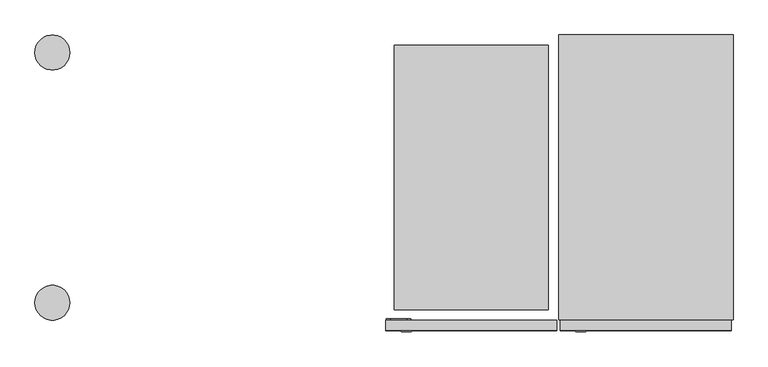
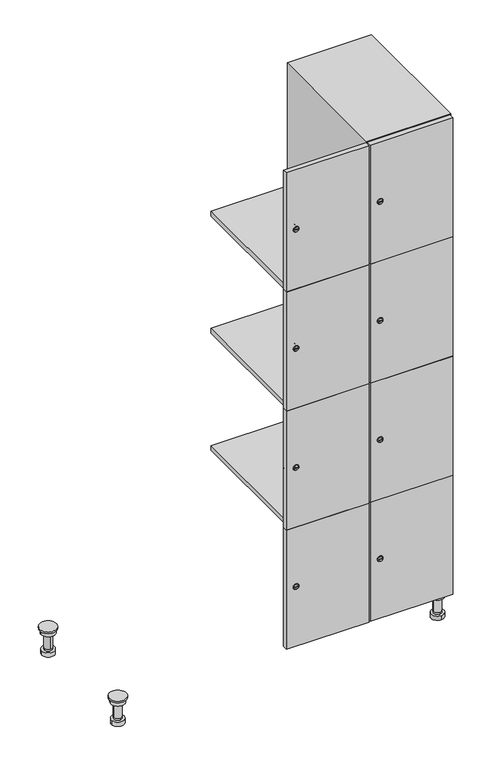
"""IFC4 building model written with IfcOpenShell, lengths in millimetres: furniture geometry."""

from ifc_helpers import new_model, si_unit, point, frame, frame_2d, origin, place, context, project, spatial, polyline, circle_curve, trimmed, segment, composite_curve, outline, extrude, faceted_brep, source, transform, mapped, element, save
from ifc_brep_helpers import plane_surface, cylinder_surface, revolved_surface, advanced_brep


def furniture_5e121824(model_context):
    return source(origin(), model_context, "Body", "SolidModel", [
        advanced_brep(
        [(970.0, -201.0, 22.0), (970.0, -201.5, 16.0), (970.0, -228.5, 16.0), (970.0, -229.0, 22.0), (956.0, -215.0, 22.0), (984.0, -215.0, 22.0), (970.0, -192.5, 16.0), (970.0, -237.5, 16.0), (970.0, -192.5, 0.0), (970.0, -237.5, 0.0), (984.0, -215.0, 78.0), (956.0, -215.0, 78.0), (995.0, -215.0, 78.0), (945.0, -215.0, 78.0), (1000.0, -215.0, 94.0), (940.0, -215.0, 94.0), (945.0, -215.0, 94.0), (995.0, -215.0, 94.0), (1000.0, -215.0, 100.0), (940.0, -215.0, 100.0)],
        [
            (0, 1),
            (1, 2, circle_curve(frame((970.0, -215.0, 16.0), z_axis=(0.0, 0.0, 1.0), x_axis=(0.0, -1.0, 0.0)), 13.5)),
            (2, 3),
            (3, 4, circle_curve(frame((970.0, -215.0, 22.0), z_axis=(0.0, 0.0, -1.0), x_axis=(0.0, -1.0, 0.0)), 14.0)),
            (4, 0, circle_curve(frame((970.0, -215.0, 22.0), z_axis=(0.0, 0.0, -1.0), x_axis=(0.0, -1.0, 0.0)), 14.0)),
            (0, 5, circle_curve(frame((970.0, -215.0, 22.0), z_axis=(0.0, 0.0, -1.0), x_axis=(0.0, 1.0, 0.0)), 14.0)),
            (5, 3, circle_curve(frame((970.0, -215.0, 22.0), z_axis=(0.0, 0.0, -1.0), x_axis=(0.0, 1.0, 0.0)), 14.0)),
            (2, 1, circle_curve(frame((970.0, -215.0, 16.0), z_axis=(0.0, 0.0, 1.0), x_axis=(0.0, 1.0, 0.0)), 13.5)),
            (6, 7, circle_curve(frame((970.0, -215.0, 16.0), z_axis=(0.0, 0.0, 1.0), x_axis=(0.0, -1.0, 0.0)), 22.5)),
            (7, 6, circle_curve(frame((970.0, -215.0, 16.0), z_axis=(0.0, 0.0, 1.0), x_axis=(0.0, -1.0, 0.0)), 22.5)),
            (8, 9, circle_curve(frame((970.0, -215.0, 0.0), z_axis=(0.0, 0.0, -1.0), x_axis=(0.0, -1.0, 0.0)), 22.5)),
            (9, 8, circle_curve(frame((970.0, -215.0, 0.0), z_axis=(0.0, 0.0, -1.0), x_axis=(0.0, -1.0, 0.0)), 22.5)),
            (6, 8),
            (9, 7),
            (5, 10),
            (10, 11, circle_curve(frame((970.0, -215.0, 78.0), z_axis=(0.0, 0.0, -1.0), x_axis=(-1.0, 0.0, 0.0)), 14.0)),
            (11, 4),
            (11, 10, circle_curve(frame((970.0, -215.0, 78.0), z_axis=(0.0, 0.0, -1.0), x_axis=(-1.0, 0.0, 0.0)), 14.0)),
            (12, 13, circle_curve(frame((970.0, -215.0, 78.0), z_axis=(0.0, 0.0, -1.0), x_axis=(-1.0, 0.0, 0.0)), 25.0)),
            (13, 12, circle_curve(frame((970.0, -215.0, 78.0), z_axis=(0.0, 0.0, -1.0), x_axis=(-1.0, 0.0, 0.0)), 25.0)),
            (14, 15, circle_curve(frame((970.0, -215.0, 94.0), z_axis=(0.0, 0.0, -1.0), x_axis=(-1.0, 0.0, 0.0)), 30.0)),
            (15, 14, circle_curve(frame((970.0, -215.0, 94.0), z_axis=(0.0, 0.0, -1.0), x_axis=(-1.0, 0.0, 0.0)), 30.0)),
            (16, 17, circle_curve(frame((970.0, -215.0, 94.0), z_axis=(0.0, 0.0, 1.0), x_axis=(-1.0, 0.0, 0.0)), 25.0)),
            (17, 16, circle_curve(frame((970.0, -215.0, 94.0), z_axis=(0.0, 0.0, 1.0), x_axis=(-1.0, 0.0, 0.0)), 25.0)),
            (18, 19, circle_curve(frame((970.0, -215.0, 100.0), z_axis=(0.0, 0.0, 1.0), x_axis=(-1.0, 0.0, 0.0)), 30.0)),
            (19, 18, circle_curve(frame((970.0, -215.0, 100.0), z_axis=(0.0, 0.0, 1.0), x_axis=(-1.0, 0.0, 0.0)), 30.0)),
            (14, 18),
            (19, 15),
            (12, 17),
            (16, 13),
        ],
        [
            revolved_surface(polyline([(970.0, -201.5, 16.0), (970.0, -201.0, 22.0)]), (970.0, -215.0, -146.0), (0.0, 0.0, 1.0)),
            plane_surface(frame((970.0, 0.0, 16.0), z_axis=(0.0, 0.0, 1.0), x_axis=(0.0, -1.0, 0.0))),
            plane_surface(frame((970.0, 0.0, 0.0), z_axis=(0.0, 0.0, -1.0), x_axis=(0.0, -1.0, 0.0))),
            cylinder_surface(frame((970.0, -215.0, 16.0), z_axis=(0.0, 0.0, 1.0), x_axis=(0.0, -1.0, 0.0)), 22.5),
            cylinder_surface(frame((970.0, -215.0, 22.0), z_axis=(0.0, 0.0, -1.0), x_axis=(-1.0, 0.0, 0.0)), 14.0),
            plane_surface(frame((970.0, 0.0, 78.0), z_axis=(0.0, 0.0, -1.0), x_axis=(0.0, -1.0, 0.0))),
            plane_surface(frame((970.0, 0.0, 94.0), z_axis=(0.0, 0.0, -1.0), x_axis=(0.0, -1.0, 0.0))),
            plane_surface(frame((970.0, 0.0, 100.0), z_axis=(0.0, 0.0, 1.0), x_axis=(0.0, -1.0, 0.0))),
            cylinder_surface(frame((970.0, -215.0, 94.0), z_axis=(0.0, 0.0, -1.0), x_axis=(-1.0, 0.0, 0.0)), 30.0),
            cylinder_surface(frame((970.0, -215.0, 78.0), z_axis=(0.0, 0.0, -1.0), x_axis=(-1.0, 0.0, 0.0)), 25.0),
        ],
        [
            (0, [[1, 2, 3, 4, 5]]),
            (0, [[-1, 6, 7, -3, 8]]),
            (1, [[9, 10], [-2, -8]]),
            (2, [[11, 12]]),
            (3, [[-9, 13, -12, 14]]),
            (3, [[-10, -14, -11, -13]]),
            (4, [[15, 16, 17, -4, -7]]),
            (4, [[-15, -6, -5, -17, 18]]),
            (5, [[19, 20], [-16, -18]]),
            (6, [[21, 22], [23, 24]]),
            (7, [[25, 26]]),
            (8, [[-21, 27, -26, 28]]),
            (8, [[-22, -28, -25, -27]]),
            (9, [[-19, 29, -23, 30]]),
            (9, [[-20, -30, -24, -29]]),
        ],
    ),
        advanced_brep(
        [(-170.0, -201.0, 22.0), (-170.0, -201.5, 16.0), (-170.0, -228.5, 16.0), (-170.0, -229.0, 22.0), (-184.0, -215.0, 22.0), (-156.0, -215.0, 22.0), (-147.5, -215.0, 0.0), (-192.5, -215.0, 0.0), (-147.5, -215.0, 16.0), (-192.5, -215.0, 16.0), (-156.0, -215.0, 78.0), (-184.0, -215.0, 78.0), (-145.0, -215.0, 78.0), (-195.0, -215.0, 78.0), (-140.0, -215.0, 94.0), (-200.0, -215.0, 94.0), (-195.0, -215.0, 94.0), (-145.0, -215.0, 94.0), (-140.0, -215.0, 100.0), (-200.0, -215.0, 100.0)],
        [
            (0, 1),
            (1, 2, circle_curve(frame((-170.0, -215.0, 16.0), z_axis=(0.0, 0.0, 1.0), x_axis=(0.0, -1.0, 0.0)), 13.5)),
            (2, 3),
            (3, 4, circle_curve(frame((-170.0, -215.0, 22.0), z_axis=(0.0, 0.0, -1.0), x_axis=(0.0, -1.0, 0.0)), 14.0)),
            (4, 0, circle_curve(frame((-170.0, -215.0, 22.0), z_axis=(0.0, 0.0, -1.0), x_axis=(0.0, -1.0, 0.0)), 14.0)),
            (0, 5, circle_curve(frame((-170.0, -215.0, 22.0), z_axis=(0.0, 0.0, -1.0), x_axis=(0.0, 1.0, 0.0)), 14.0)),
            (5, 3, circle_curve(frame((-170.0, -215.0, 22.0), z_axis=(0.0, 0.0, -1.0), x_axis=(0.0, 1.0, 0.0)), 14.0)),
            (2, 1, circle_curve(frame((-170.0, -215.0, 16.0), z_axis=(0.0, 0.0, 1.0), x_axis=(0.0, 1.0, 0.0)), 13.5)),
            (6, 7, circle_curve(frame((-170.0, -215.0, 0.0), z_axis=(0.0, 0.0, -1.0), x_axis=(-1.0, 0.0, 0.0)), 22.5)),
            (7, 6, circle_curve(frame((-170.0, -215.0, 0.0), z_axis=(0.0, 0.0, -1.0), x_axis=(-1.0, 0.0, 0.0)), 22.5)),
            (8, 9, circle_curve(frame((-170.0, -215.0, 16.0), z_axis=(0.0, 0.0, 1.0), x_axis=(-1.0, 0.0, 0.0)), 22.5)),
            (9, 8, circle_curve(frame((-170.0, -215.0, 16.0), z_axis=(0.0, 0.0, 1.0), x_axis=(-1.0, 0.0, 0.0)), 22.5)),
            (6, 8),
            (9, 7),
            (5, 10),
            (10, 11, circle_curve(frame((-170.0, -215.0, 78.0), z_axis=(0.0, 0.0, -1.0), x_axis=(-1.0, 0.0, 0.0)), 14.0)),
            (11, 4),
            (11, 10, circle_curve(frame((-170.0, -215.0, 78.0), z_axis=(0.0, 0.0, -1.0), x_axis=(-1.0, 0.0, 0.0)), 14.0)),
            (12, 13, circle_curve(frame((-170.0, -215.0, 78.0), z_axis=(0.0, 0.0, -1.0), x_axis=(-1.0, 0.0, 0.0)), 25.0)),
            (13, 12, circle_curve(frame((-170.0, -215.0, 78.0), z_axis=(0.0, 0.0, -1.0), x_axis=(-1.0, 0.0, 0.0)), 25.0)),
            (14, 15, circle_curve(frame((-170.0, -215.0, 94.0), z_axis=(0.0, 0.0, -1.0), x_axis=(-1.0, 0.0, 0.0)), 30.0)),
            (15, 14, circle_curve(frame((-170.0, -215.0, 94.0), z_axis=(0.0, 0.0, -1.0), x_axis=(-1.0, 0.0, 0.0)), 30.0)),
            (16, 17, circle_curve(frame((-170.0, -215.0, 94.0), z_axis=(0.0, 0.0, 1.0), x_axis=(-1.0, 0.0, 0.0)), 25.0)),
            (17, 16, circle_curve(frame((-170.0, -215.0, 94.0), z_axis=(0.0, 0.0, 1.0), x_axis=(-1.0, 0.0, 0.0)), 25.0)),
            (18, 19, circle_curve(frame((-170.0, -215.0, 100.0), z_axis=(0.0, 0.0, 1.0), x_axis=(-1.0, 0.0, 0.0)), 30.0)),
            (19, 18, circle_curve(frame((-170.0, -215.0, 100.0), z_axis=(0.0, 0.0, 1.0), x_axis=(-1.0, 0.0, 0.0)), 30.0)),
            (14, 18),
            (19, 15),
            (12, 17),
            (16, 13),
        ],
        [
            revolved_surface(polyline([(-170.0, -201.5, 16.0), (-170.0, -201.0, 22.0)]), (-170.0, -215.0, -146.0), (0.0, 0.0, 1.0)),
            plane_surface(frame((-170.0, 0.0, 0.0), z_axis=(0.0, 0.0, -1.0), x_axis=(0.0, -1.0, 0.0))),
            plane_surface(frame((-170.0, 0.0, 16.0), z_axis=(0.0, 0.0, 1.0), x_axis=(0.0, -1.0, 0.0))),
            cylinder_surface(frame((-170.0, -215.0, 0.0), z_axis=(0.0, 0.0, -1.0), x_axis=(-1.0, 0.0, 0.0)), 22.5),
            cylinder_surface(frame((-170.0, -215.0, 22.0), z_axis=(0.0, 0.0, -1.0), x_axis=(-1.0, 0.0, 0.0)), 14.0),
            plane_surface(frame((-170.0, 0.0, 78.0), z_axis=(0.0, 0.0, -1.0), x_axis=(0.0, -1.0, 0.0))),
            plane_surface(frame((-170.0, 0.0, 94.0), z_axis=(0.0, 0.0, -1.0), x_axis=(0.0, -1.0, 0.0))),
            plane_surface(frame((-170.0, 0.0, 100.0), z_axis=(0.0, 0.0, 1.0), x_axis=(0.0, -1.0, 0.0))),
            cylinder_surface(frame((-170.0, -215.0, 94.0), z_axis=(0.0, 0.0, -1.0), x_axis=(-1.0, 0.0, 0.0)), 30.0),
            cylinder_surface(frame((-170.0, -215.0, 78.0), z_axis=(0.0, 0.0, -1.0), x_axis=(-1.0, 0.0, 0.0)), 25.0),
        ],
        [
            (0, [[1, 2, 3, 4, 5]]),
            (0, [[-1, 6, 7, -3, 8]]),
            (1, [[9, 10]]),
            (2, [[11, 12], [-2, -8]]),
            (3, [[-9, 13, -12, 14]]),
            (3, [[-10, -14, -11, -13]]),
            (4, [[15, 16, 17, -4, -7]]),
            (4, [[-15, -6, -5, -17, 18]]),
            (5, [[19, 20], [-16, -18]]),
            (6, [[21, 22], [23, 24]]),
            (7, [[25, 26]]),
            (8, [[-21, 27, -26, 28]]),
            (8, [[-22, -28, -25, -27]]),
            (9, [[-19, 29, -23, 30]]),
            (9, [[-20, -30, -24, -29]]),
        ],
    ),
        advanced_brep(
        [(983.5, 215.0, 16.0), (984.0, 215.0, 22.0), (956.0, 215.0, 22.0), (956.5, 215.0, 16.0), (992.5, 215.0, 0.0), (947.5, 215.0, 0.0), (992.5, 215.0, 16.0), (947.5, 215.0, 16.0), (984.0, 215.0, 78.0), (956.0, 215.0, 78.0), (995.0, 215.0, 78.0), (945.0, 215.0, 78.0), (1000.0, 215.0, 94.0), (940.0, 215.0, 94.0), (945.0, 215.0, 94.0), (995.0, 215.0, 94.0), (1000.0, 215.0, 100.0), (940.0, 215.0, 100.0)],
        [
            (0, 1),
            (1, 2, circle_curve(frame((970.0, 215.0, 22.0), z_axis=(0.0, 0.0, -1.0), x_axis=(-1.0, 0.0, 0.0)), 14.0)),
            (2, 3),
            (3, 0, circle_curve(frame((970.0, 215.0, 16.0), z_axis=(0.0, 0.0, 1.0), x_axis=(-1.0, 0.0, 0.0)), 13.5)),
            (0, 3, circle_curve(frame((970.0, 215.0, 16.0), z_axis=(0.0, 0.0, 1.0), x_axis=(1.0, 0.0, 0.0)), 13.5)),
            (2, 1, circle_curve(frame((970.0, 215.0, 22.0), z_axis=(0.0, 0.0, -1.0), x_axis=(1.0, 0.0, 0.0)), 14.0)),
            (4, 5, circle_curve(frame((970.0, 215.0, 0.0), z_axis=(0.0, 0.0, -1.0), x_axis=(-1.0, 0.0, 0.0)), 22.5)),
            (5, 4, circle_curve(frame((970.0, 215.0, 0.0), z_axis=(0.0, 0.0, -1.0), x_axis=(-1.0, 0.0, 0.0)), 22.5)),
            (6, 7, circle_curve(frame((970.0, 215.0, 16.0), z_axis=(0.0, 0.0, 1.0), x_axis=(-1.0, 0.0, 0.0)), 22.5)),
            (7, 6, circle_curve(frame((970.0, 215.0, 16.0), z_axis=(0.0, 0.0, 1.0), x_axis=(-1.0, 0.0, 0.0)), 22.5)),
            (4, 6),
            (7, 5),
            (1, 8),
            (8, 9, circle_curve(frame((970.0, 215.0, 78.0), z_axis=(0.0, 0.0, -1.0), x_axis=(-1.0, 0.0, 0.0)), 14.0)),
            (9, 2),
            (9, 8, circle_curve(frame((970.0, 215.0, 78.0), z_axis=(0.0, 0.0, -1.0), x_axis=(-1.0, 0.0, 0.0)), 14.0)),
            (10, 11, circle_curve(frame((970.0, 215.0, 78.0), z_axis=(0.0, 0.0, -1.0), x_axis=(-1.0, 0.0, 0.0)), 25.0)),
            (11, 10, circle_curve(frame((970.0, 215.0, 78.0), z_axis=(0.0, 0.0, -1.0), x_axis=(-1.0, 0.0, 0.0)), 25.0)),
            (12, 13, circle_curve(frame((970.0, 215.0, 94.0), z_axis=(0.0, 0.0, -1.0), x_axis=(-1.0, 0.0, 0.0)), 30.0)),
            (13, 12, circle_curve(frame((970.0, 215.0, 94.0), z_axis=(0.0, 0.0, -1.0), x_axis=(-1.0, 0.0, 0.0)), 30.0)),
            (14, 15, circle_curve(frame((970.0, 215.0, 94.0), z_axis=(0.0, 0.0, 1.0), x_axis=(-1.0, 0.0, 0.0)), 25.0)),
            (15, 14, circle_curve(frame((970.0, 215.0, 94.0), z_axis=(0.0, 0.0, 1.0), x_axis=(-1.0, 0.0, 0.0)), 25.0)),
            (16, 17, circle_curve(frame((970.0, 215.0, 100.0), z_axis=(0.0, 0.0, 1.0), x_axis=(-1.0, 0.0, 0.0)), 30.0)),
            (17, 16, circle_curve(frame((970.0, 215.0, 100.0), z_axis=(0.0, 0.0, 1.0), x_axis=(-1.0, 0.0, 0.0)), 30.0)),
            (12, 16),
            (17, 13),
            (10, 15),
            (14, 11),
        ],
        [
            revolved_surface(polyline([(983.5, 215.0, 16.0), (984.0, 215.0, 22.0)]), (970.0, 215.0, -146.0), (0.0, 0.0, 1.0)),
            plane_surface(frame((970.0, 0.0, 0.0), z_axis=(0.0, 0.0, -1.0), x_axis=(0.0, -1.0, 0.0))),
            plane_surface(frame((970.0, 0.0, 16.0), z_axis=(0.0, 0.0, 1.0), x_axis=(0.0, -1.0, 0.0))),
            cylinder_surface(frame((970.0, 215.0, 0.0), z_axis=(0.0, 0.0, -1.0), x_axis=(-1.0, 0.0, 0.0)), 22.5),
            cylinder_surface(frame((970.0, 215.0, 22.0), z_axis=(0.0, 0.0, -1.0), x_axis=(-1.0, 0.0, 0.0)), 14.0),
            plane_surface(frame((970.0, 0.0, 78.0), z_axis=(0.0, 0.0, -1.0), x_axis=(0.0, -1.0, 0.0))),
            plane_surface(frame((970.0, 0.0, 94.0), z_axis=(0.0, 0.0, -1.0), x_axis=(0.0, -1.0, 0.0))),
            plane_surface(frame((970.0, 0.0, 100.0), z_axis=(0.0, 0.0, 1.0), x_axis=(0.0, -1.0, 0.0))),
            cylinder_surface(frame((970.0, 215.0, 94.0), z_axis=(0.0, 0.0, -1.0), x_axis=(-1.0, 0.0, 0.0)), 30.0),
            cylinder_surface(frame((970.0, 215.0, 78.0), z_axis=(0.0, 0.0, -1.0), x_axis=(-1.0, 0.0, 0.0)), 25.0),
        ],
        [
            (0, [[1, 2, 3, 4]]),
            (0, [[-1, 5, -3, 6]]),
            (1, [[7, 8]]),
            (2, [[9, 10], [-4, -5]]),
            (3, [[-7, 11, -10, 12]]),
            (3, [[-8, -12, -9, -11]]),
            (4, [[13, 14, 15, -2]]),
            (4, [[-13, -6, -15, 16]]),
            (5, [[17, 18], [-14, -16]]),
            (6, [[19, 20], [21, 22]]),
            (7, [[23, 24]]),
            (8, [[-19, 25, -24, 26]]),
            (8, [[-20, -26, -23, -25]]),
            (9, [[-17, 27, -21, 28]]),
            (9, [[-18, -28, -22, -27]]),
        ],
    ),
        advanced_brep(
        [(-156.5, 215.0, 16.0), (-156.0, 215.0, 22.0), (-170.0, 201.0, 22.0), (-184.0, 215.0, 22.0), (-183.5, 215.0, 16.0), (-170.0, 229.0, 22.0), (-147.5, 215.0, 0.0), (-192.5, 215.0, 0.0), (-147.5, 215.0, 16.0), (-192.5, 215.0, 16.0), (-170.0, 229.0, 78.0), (-170.0, 201.0, 78.0), (-145.0, 215.0, 78.0), (-195.0, 215.0, 78.0), (-140.0, 215.0, 94.0), (-200.0, 215.0, 94.0), (-195.0, 215.0, 94.0), (-145.0, 215.0, 94.0), (-140.0, 215.0, 100.0), (-200.0, 215.0, 100.0)],
        [
            (0, 1),
            (1, 2, circle_curve(frame((-170.0, 215.0, 22.0), z_axis=(0.0, 0.0, -1.0), x_axis=(-1.0, 0.0, 0.0)), 14.0)),
            (2, 3, circle_curve(frame((-170.0, 215.0, 22.0), z_axis=(0.0, 0.0, -1.0), x_axis=(-1.0, 0.0, 0.0)), 14.0)),
            (3, 4),
            (4, 0, circle_curve(frame((-170.0, 215.0, 16.0), z_axis=(0.0, 0.0, 1.0), x_axis=(-1.0, 0.0, 0.0)), 13.5)),
            (0, 4, circle_curve(frame((-170.0, 215.0, 16.0), z_axis=(0.0, 0.0, 1.0), x_axis=(1.0, 0.0, 0.0)), 13.5)),
            (3, 5, circle_curve(frame((-170.0, 215.0, 22.0), z_axis=(0.0, 0.0, -1.0), x_axis=(1.0, 0.0, 0.0)), 14.0)),
            (5, 1, circle_curve(frame((-170.0, 215.0, 22.0), z_axis=(0.0, 0.0, -1.0), x_axis=(1.0, 0.0, 0.0)), 14.0)),
            (6, 7, circle_curve(frame((-170.0, 215.0, 0.0), z_axis=(0.0, 0.0, -1.0), x_axis=(-1.0, 0.0, 0.0)), 22.5)),
            (7, 6, circle_curve(frame((-170.0, 215.0, 0.0), z_axis=(0.0, 0.0, -1.0), x_axis=(-1.0, 0.0, 0.0)), 22.5)),
            (8, 9, circle_curve(frame((-170.0, 215.0, 16.0), z_axis=(0.0, 0.0, 1.0), x_axis=(-1.0, 0.0, 0.0)), 22.5)),
            (9, 8, circle_curve(frame((-170.0, 215.0, 16.0), z_axis=(0.0, 0.0, 1.0), x_axis=(-1.0, 0.0, 0.0)), 22.5)),
            (6, 8),
            (9, 7),
            (10, 5),
            (2, 11),
            (11, 10, circle_curve(frame((-170.0, 215.0, 78.0), z_axis=(0.0, 0.0, -1.0), x_axis=(0.0, -1.0, 0.0)), 14.0)),
            (10, 11, circle_curve(frame((-170.0, 215.0, 78.0), z_axis=(0.0, 0.0, -1.0), x_axis=(0.0, -1.0, 0.0)), 14.0)),
            (12, 13, circle_curve(frame((-170.0, 215.0, 78.0), z_axis=(0.0, 0.0, -1.0), x_axis=(-1.0, 0.0, 0.0)), 25.0)),
            (13, 12, circle_curve(frame((-170.0, 215.0, 78.0), z_axis=(0.0, 0.0, -1.0), x_axis=(-1.0, 0.0, 0.0)), 25.0)),
            (14, 15, circle_curve(frame((-170.0, 215.0, 94.0), z_axis=(0.0, 0.0, -1.0), x_axis=(-1.0, 0.0, 0.0)), 30.0)),
            (15, 14, circle_curve(frame((-170.0, 215.0, 94.0), z_axis=(0.0, 0.0, -1.0), x_axis=(-1.0, 0.0, 0.0)), 30.0)),
            (16, 17, circle_curve(frame((-170.0, 215.0, 94.0), z_axis=(0.0, 0.0, 1.0), x_axis=(-1.0, 0.0, 0.0)), 25.0)),
            (17, 16, circle_curve(frame((-170.0, 215.0, 94.0), z_axis=(0.0, 0.0, 1.0), x_axis=(-1.0, 0.0, 0.0)), 25.0)),
            (18, 19, circle_curve(frame((-170.0, 215.0, 100.0), z_axis=(0.0, 0.0, 1.0), x_axis=(-1.0, 0.0, 0.0)), 30.0)),
            (19, 18, circle_curve(frame((-170.0, 215.0, 100.0), z_axis=(0.0, 0.0, 1.0), x_axis=(-1.0, 0.0, 0.0)), 30.0)),
            (14, 18),
            (19, 15),
            (12, 17),
            (16, 13),
        ],
        [
            revolved_surface(polyline([(-156.5, 215.0, 16.0), (-156.0, 215.0, 22.0)]), (-170.0, 215.0, -146.0), (0.0, 0.0, 1.0)),
            plane_surface(frame((-170.0, 0.0, 0.0), z_axis=(0.0, 0.0, -1.0), x_axis=(0.0, -1.0, 0.0))),
            plane_surface(frame((-170.0, 0.0, 16.0), z_axis=(0.0, 0.0, 1.0), x_axis=(0.0, -1.0, 0.0))),
            cylinder_surface(frame((-170.0, 215.0, 0.0), z_axis=(0.0, 0.0, -1.0), x_axis=(-1.0, 0.0, 0.0)), 22.5),
            cylinder_surface(frame((-170.0, 215.0, 78.0), z_axis=(0.0, 0.0, 1.0), x_axis=(0.0, -1.0, 0.0)), 14.0),
            plane_surface(frame((-170.0, 0.0, 78.0), z_axis=(0.0, 0.0, -1.0), x_axis=(0.0, -1.0, 0.0))),
            plane_surface(frame((-170.0, 0.0, 94.0), z_axis=(0.0, 0.0, -1.0), x_axis=(0.0, -1.0, 0.0))),
            plane_surface(frame((-170.0, 0.0, 100.0), z_axis=(0.0, 0.0, 1.0), x_axis=(0.0, -1.0, 0.0))),
            cylinder_surface(frame((-170.0, 215.0, 94.0), z_axis=(0.0, 0.0, -1.0), x_axis=(-1.0, 0.0, 0.0)), 30.0),
            cylinder_surface(frame((-170.0, 215.0, 78.0), z_axis=(0.0, 0.0, -1.0), x_axis=(-1.0, 0.0, 0.0)), 25.0),
        ],
        [
            (0, [[1, 2, 3, 4, 5]]),
            (0, [[-1, 6, -4, 7, 8]]),
            (1, [[9, 10]]),
            (2, [[11, 12], [-5, -6]]),
            (3, [[-9, 13, -12, 14]]),
            (3, [[-10, -14, -11, -13]]),
            (4, [[15, -7, -3, 16, 17]]),
            (4, [[-15, 18, -16, -2, -8]]),
            (5, [[19, 20], [-17, -18]]),
            (6, [[21, 22], [23, 24]]),
            (7, [[25, 26]]),
            (8, [[-21, 27, -26, 28]]),
            (8, [[-22, -28, -25, -27]]),
            (9, [[-19, 29, -23, 30]]),
            (9, [[-20, -30, -24, -29]]),
        ],
    ),
        extrude(outline(composite_curve([segment(trimmed(circle_curve(frame_2d((327.25, 711.2010534)), 7.0), [point((334.25, 711.2010534))], [point((320.25, 711.2010534))], False, "CARTESIAN"), True, "CONTINUOUS"), segment(polyline([(320.25, 711.2010534), (320.25, 739.2010534)]), True, "CONTINUOUS"), segment(trimmed(circle_curve(frame_2d((327.25, 739.2010534)), 7.0), [point((320.25, 739.2010534))], [point((334.25, 739.2010534))], False, "CARTESIAN"), True, "CONTINUOUS"), segment(polyline([(334.25, 739.2010534), (334.25, 711.2010534)]), True, "CONTINUOUS")], self_intersect=False)), frame((0.0, -245.0, 0.0), z_axis=(0.0, 1.0, 0.0), x_axis=(0.0, 0.0, 1.0)), (0.0, 0.0, 1.0), 2.0),
        advanced_brep(
        [(746.5, -265.2, 327.25), (729.5, -265.2, 327.25), (733.0, -265.2, 326.0), (733.0, -265.2, 328.5), (743.0, -265.2, 328.5), (743.0, -265.2, 326.0), (748.5, -263.0, 327.25), (727.5, -263.0, 327.25), (733.0, -263.0, 328.5), (733.0, -263.0, 326.0), (743.0, -263.0, 326.0), (743.0, -263.0, 328.5)],
        [
            (0, 1, circle_curve(frame((738.0, -265.2, 327.25), z_axis=(0.0, -1.0, 0.0), x_axis=(1.0, 0.0, 0.0)), 8.5)),
            (1, 0, circle_curve(frame((738.0, -265.2, 327.25), z_axis=(0.0, -1.0, 0.0), x_axis=(-1.0, 0.0, 0.0)), 8.5)),
            (2, 3),
            (3, 4),
            (4, 5),
            (5, 2),
            (6, 7, circle_curve(frame((738.0, -263.0, 327.25), z_axis=(0.0, 1.0, 0.0), x_axis=(-1.0, 0.0, 0.0)), 10.5)),
            (7, 6, circle_curve(frame((738.0, -263.0, 327.25), z_axis=(0.0, 1.0, 0.0), x_axis=(1.0, 0.0, 0.0)), 10.5)),
            (8, 9),
            (9, 10),
            (10, 11),
            (11, 8),
            (0, 6),
            (7, 1),
            (8, 3),
            (2, 9),
            (11, 4),
            (10, 5),
        ],
        [
            plane_surface(frame((738.0, -265.2, 327.25), z_axis=(0.0, -1.0, 0.0), x_axis=(0.0, 0.0, 1.0))),
            plane_surface(frame((738.0, -263.0, 327.25), z_axis=(0.0, 1.0, 0.0), x_axis=(0.0, 0.0, 1.0))),
            revolved_surface(polyline([(746.5, -265.2, 327.25), (748.5, -263.0, 327.25)]), (738.0, -274.55, 327.25), (0.0, 1.0, 0.0)),
            revolved_surface(polyline([(729.5, -265.2, 327.25), (727.5, -263.0, 327.25)]), (738.0, -274.55, 327.25), (0.0, 1.0, 0.0)),
            plane_surface(frame((733.0, -263.0, 326.0), z_axis=(1.0, 0.0, 0.0), x_axis=(0.0, -1.0, 0.0))),
            plane_surface(frame((733.0, -263.0, 328.5), z_axis=(0.0, 0.0, -1.0), x_axis=(0.0, -1.0, 0.0))),
            plane_surface(frame((743.0, -263.0, 328.5), z_axis=(-1.0, 0.0, 0.0), x_axis=(0.0, -1.0, 0.0))),
            plane_surface(frame((743.0, -263.0, 326.0), z_axis=(0.0, 0.0, 1.0), x_axis=(0.0, -1.0, 0.0))),
        ],
        [
            (0, [[1, 2], [3, 4, 5, 6]]),
            (1, [[7, 8], [9, 10, 11, 12]]),
            (2, [[-1, 13, -8, 14]]),
            (3, [[-2, -14, -7, -13]]),
            (4, [[15, -3, 16, -9]]),
            (5, [[-15, -12, 17, -4]]),
            (6, [[-17, -11, 18, -5]]),
            (7, [[-16, -6, -18, -10]]),
        ],
    ),
        extrude(outline(composite_curve([segment(trimmed(circle_curve(frame_2d((775.75, 711.2010534)), 7.0), [point((782.75, 711.2010534))], [point((768.75, 711.2010534))], False, "CARTESIAN"), True, "CONTINUOUS"), segment(polyline([(768.75, 711.2010534), (768.75, 739.2010534)]), True, "CONTINUOUS"), segment(trimmed(circle_curve(frame_2d((775.75, 739.2010534)), 7.0), [point((768.75, 739.2010534))], [point((782.75, 739.2010534))], False, "CARTESIAN"), True, "CONTINUOUS"), segment(polyline([(782.75, 739.2010534), (782.75, 711.2010534)]), True, "CONTINUOUS")], self_intersect=False)), frame((0.0, -245.0, 0.0), z_axis=(0.0, 1.0, 0.0), x_axis=(0.0, 0.0, 1.0)), (0.0, 0.0, 1.0), 2.0),
        advanced_brep(
        [(746.5, -265.2, 775.75), (729.5, -265.2, 775.75), (733.0, -265.2, 774.5), (733.0, -265.2, 777.0), (743.0, -265.2, 777.0), (743.0, -265.2, 774.5), (748.5, -263.0, 775.75), (727.5, -263.0, 775.75), (733.0, -263.0, 777.0), (733.0, -263.0, 774.5), (743.0, -263.0, 774.5), (743.0, -263.0, 777.0)],
        [
            (0, 1, circle_curve(frame((738.0, -265.2, 775.75), z_axis=(0.0, -1.0, 0.0), x_axis=(1.0, 0.0, 0.0)), 8.5)),
            (1, 0, circle_curve(frame((738.0, -265.2, 775.75), z_axis=(0.0, -1.0, 0.0), x_axis=(-1.0, 0.0, 0.0)), 8.5)),
            (2, 3),
            (3, 4),
            (4, 5),
            (5, 2),
            (6, 7, circle_curve(frame((738.0, -263.0, 775.75), z_axis=(0.0, 1.0, 0.0), x_axis=(-1.0, 0.0, 0.0)), 10.5)),
            (7, 6, circle_curve(frame((738.0, -263.0, 775.75), z_axis=(0.0, 1.0, 0.0), x_axis=(1.0, 0.0, 0.0)), 10.5)),
            (8, 9),
            (9, 10),
            (10, 11),
            (11, 8),
            (0, 6),
            (7, 1),
            (8, 3),
            (2, 9),
            (11, 4),
            (10, 5),
        ],
        [
            plane_surface(frame((738.0, -265.2, 775.75), z_axis=(0.0, -1.0, 0.0), x_axis=(0.0, 0.0, 1.0))),
            plane_surface(frame((738.0, -263.0, 775.75), z_axis=(0.0, 1.0, 0.0), x_axis=(0.0, 0.0, 1.0))),
            revolved_surface(polyline([(746.5, -265.2, 775.75), (748.5, -263.0, 775.75)]), (738.0, -274.55, 775.75), (0.0, 1.0, 0.0)),
            revolved_surface(polyline([(729.5, -265.2, 775.75), (727.5, -263.0, 775.75)]), (738.0, -274.55, 775.75), (0.0, 1.0, 0.0)),
            plane_surface(frame((733.0, -263.0, 774.5), z_axis=(1.0, 0.0, 0.0), x_axis=(0.0, -1.0, 0.0))),
            plane_surface(frame((733.0, -263.0, 777.0), z_axis=(0.0, 0.0, -1.0), x_axis=(0.0, -1.0, 0.0))),
            plane_surface(frame((743.0, -263.0, 777.0), z_axis=(-1.0, 0.0, 0.0), x_axis=(0.0, -1.0, 0.0))),
            plane_surface(frame((743.0, -263.0, 774.5), z_axis=(0.0, 0.0, 1.0), x_axis=(0.0, -1.0, 0.0))),
        ],
        [
            (0, [[1, 2], [3, 4, 5, 6]]),
            (1, [[7, 8], [9, 10, 11, 12]]),
            (2, [[-1, 13, -8, 14]]),
            (3, [[-2, -14, -7, -13]]),
            (4, [[15, -3, 16, -9]]),
            (5, [[-15, -12, 17, -4]]),
            (6, [[-17, -11, 18, -5]]),
            (7, [[-16, -6, -18, -10]]),
        ],
    ),
        extrude(outline(composite_curve([segment(trimmed(circle_curve(frame_2d((1224.25, 711.2010534)), 7.0), [point((1231.25, 711.2010534))], [point((1217.25, 711.2010534))], False, "CARTESIAN"), True, "CONTINUOUS"), segment(polyline([(1217.25, 711.2010534), (1217.25, 739.2010534)]), True, "CONTINUOUS"), segment(trimmed(circle_curve(frame_2d((1224.25, 739.2010534)), 7.0), [point((1217.25, 739.2010534))], [point((1231.25, 739.2010534))], False, "CARTESIAN"), True, "CONTINUOUS"), segment(polyline([(1231.25, 739.2010534), (1231.25, 711.2010534)]), True, "CONTINUOUS")], self_intersect=False)), frame((0.0, -245.0, 0.0), z_axis=(0.0, 1.0, 0.0), x_axis=(0.0, 0.0, 1.0)), (0.0, 0.0, 1.0), 2.0),
        advanced_brep(
        [(746.5, -265.2, 1224.25), (729.5, -265.2, 1224.25), (733.0, -265.2, 1223.0), (733.0, -265.2, 1225.5), (743.0, -265.2, 1225.5), (743.0, -265.2, 1223.0), (748.5, -263.0, 1224.25), (727.5, -263.0, 1224.25), (733.0, -263.0, 1225.5), (733.0, -263.0, 1223.0), (743.0, -263.0, 1223.0), (743.0, -263.0, 1225.5)],
        [
            (0, 1, circle_curve(frame((738.0, -265.2, 1224.25), z_axis=(0.0, -1.0, 0.0), x_axis=(1.0, 0.0, 0.0)), 8.5)),
            (1, 0, circle_curve(frame((738.0, -265.2, 1224.25), z_axis=(0.0, -1.0, 0.0), x_axis=(-1.0, 0.0, 0.0)), 8.5)),
            (2, 3),
            (3, 4),
            (4, 5),
            (5, 2),
            (6, 7, circle_curve(frame((738.0, -263.0, 1224.25), z_axis=(0.0, 1.0, 0.0), x_axis=(-1.0, 0.0, 0.0)), 10.5)),
            (7, 6, circle_curve(frame((738.0, -263.0, 1224.25), z_axis=(0.0, 1.0, 0.0), x_axis=(1.0, 0.0, 0.0)), 10.5)),
            (8, 9),
            (9, 10),
            (10, 11),
            (11, 8),
            (0, 6),
            (7, 1),
            (8, 3),
            (2, 9),
            (11, 4),
            (10, 5),
        ],
        [
            plane_surface(frame((738.0, -265.2, 1224.25), z_axis=(0.0, -1.0, 0.0), x_axis=(0.0, 0.0, 1.0))),
            plane_surface(frame((738.0, -263.0, 1224.25), z_axis=(0.0, 1.0, 0.0), x_axis=(0.0, 0.0, 1.0))),
            revolved_surface(polyline([(746.5, -265.2, 1224.25), (748.5, -263.0, 1224.25)]), (738.0, -274.55, 1224.25), (0.0, 1.0, 0.0)),
            revolved_surface(polyline([(729.5, -265.2, 1224.25), (727.5, -263.0, 1224.25)]), (738.0, -274.55, 1224.25), (0.0, 1.0, 0.0)),
            plane_surface(frame((733.0, -263.0, 1223.0), z_axis=(1.0, 0.0, 0.0), x_axis=(0.0, -1.0, 0.0))),
            plane_surface(frame((733.0, -263.0, 1225.5), z_axis=(0.0, 0.0, -1.0), x_axis=(0.0, -1.0, 0.0))),
            plane_surface(frame((743.0, -263.0, 1225.5), z_axis=(-1.0, 0.0, 0.0), x_axis=(0.0, -1.0, 0.0))),
            plane_surface(frame((743.0, -263.0, 1223.0), z_axis=(0.0, 0.0, 1.0), x_axis=(0.0, -1.0, 0.0))),
        ],
        [
            (0, [[1, 2], [3, 4, 5, 6]]),
            (1, [[7, 8], [9, 10, 11, 12]]),
            (2, [[-1, 13, -8, 14]]),
            (3, [[-2, -14, -7, -13]]),
            (4, [[15, -3, 16, -9]]),
            (5, [[-15, -12, 17, -4]]),
            (6, [[-17, -11, 18, -5]]),
            (7, [[-16, -6, -18, -10]]),
        ],
    ),
        extrude(outline(composite_curve([segment(trimmed(circle_curve(frame_2d((1672.75, 711.2010534)), 7.0), [point((1679.75, 711.2010534))], [point((1665.75, 711.2010534))], False, "CARTESIAN"), True, "CONTINUOUS"), segment(polyline([(1665.75, 711.2010534), (1665.75, 739.2010534)]), True, "CONTINUOUS"), segment(trimmed(circle_curve(frame_2d((1672.75, 739.2010534)), 7.0), [point((1665.75, 739.2010534))], [point((1679.75, 739.2010534))], False, "CARTESIAN"), True, "CONTINUOUS"), segment(polyline([(1679.75, 739.2010534), (1679.75, 711.2010534)]), True, "CONTINUOUS")], self_intersect=False)), frame((0.0, -245.0, 0.0), z_axis=(0.0, 1.0, 0.0), x_axis=(0.0, 0.0, 1.0)), (0.0, 0.0, 1.0), 2.0),
        advanced_brep(
        [(746.5, -265.2, 1672.75), (729.5, -265.2, 1672.75), (733.0, -265.2, 1671.5), (733.0, -265.2, 1674.0), (743.0, -265.2, 1674.0), (743.0, -265.2, 1671.5), (748.5, -263.0, 1672.75), (727.5, -263.0, 1672.75), (733.0, -263.0, 1674.0), (733.0, -263.0, 1671.5), (743.0, -263.0, 1671.5), (743.0, -263.0, 1674.0)],
        [
            (0, 1, circle_curve(frame((738.0, -265.2, 1672.75), z_axis=(0.0, -1.0, 0.0), x_axis=(1.0, 0.0, 0.0)), 8.5)),
            (1, 0, circle_curve(frame((738.0, -265.2, 1672.75), z_axis=(0.0, -1.0, 0.0), x_axis=(-1.0, 0.0, 0.0)), 8.5)),
            (2, 3),
            (3, 4),
            (4, 5),
            (5, 2),
            (6, 7, circle_curve(frame((738.0, -263.0, 1672.75), z_axis=(0.0, 1.0, 0.0), x_axis=(-1.0, 0.0, 0.0)), 10.5)),
            (7, 6, circle_curve(frame((738.0, -263.0, 1672.75), z_axis=(0.0, 1.0, 0.0), x_axis=(1.0, 0.0, 0.0)), 10.5)),
            (8, 9),
            (9, 10),
            (10, 11),
            (11, 8),
            (0, 6),
            (7, 1),
            (8, 3),
            (2, 9),
            (11, 4),
            (10, 5),
        ],
        [
            plane_surface(frame((738.0, -265.2, 1672.75), z_axis=(0.0, -1.0, 0.0), x_axis=(0.0, 0.0, 1.0))),
            plane_surface(frame((738.0, -263.0, 1672.75), z_axis=(0.0, 1.0, 0.0), x_axis=(0.0, 0.0, 1.0))),
            revolved_surface(polyline([(746.5, -265.2, 1672.75), (748.5, -263.0, 1672.75)]), (738.0, -274.55, 1672.75), (0.0, 1.0, 0.0)),
            revolved_surface(polyline([(729.5, -265.2, 1672.75), (727.5, -263.0, 1672.75)]), (738.0, -274.55, 1672.75), (0.0, 1.0, 0.0)),
            plane_surface(frame((733.0, -263.0, 1671.5), z_axis=(1.0, 0.0, 0.0), x_axis=(0.0, -1.0, 0.0))),
            plane_surface(frame((733.0, -263.0, 1674.0), z_axis=(0.0, 0.0, -1.0), x_axis=(0.0, -1.0, 0.0))),
            plane_surface(frame((743.0, -263.0, 1674.0), z_axis=(-1.0, 0.0, 0.0), x_axis=(0.0, -1.0, 0.0))),
            plane_surface(frame((743.0, -263.0, 1671.5), z_axis=(0.0, 0.0, 1.0), x_axis=(0.0, -1.0, 0.0))),
        ],
        [
            (0, [[1, 2], [3, 4, 5, 6]]),
            (1, [[7, 8], [9, 10, 11, 12]]),
            (2, [[-1, 13, -8, 14]]),
            (3, [[-2, -14, -7, -13]]),
            (4, [[15, -3, 16, -9]]),
            (5, [[-15, -12, 17, -4]]),
            (6, [[-17, -11, 18, -5]]),
            (7, [[-16, -6, -18, -10]]),
        ],
    ),
        extrude(outline(polyline([(997.0, -245.0), (997.0, -263.0), (703.0, -263.0), (703.0, -245.0), (997.0, -245.0)])), frame((0.0, 0.0, 551.0), z_axis=(0.0, 0.0, 1.0), x_axis=(1.0, 0.0, 0.0)), (0.0, 0.0, 1.0), 448.5),
        extrude(outline(polyline([(997.0, -245.0), (997.0, -263.0), (703.0, -263.0), (703.0, -245.0), (997.0, -245.0)])), frame((0.0, 0.0, 1000.5), z_axis=(0.0, 0.0, 1.0), x_axis=(1.0, 0.0, 0.0)), (0.0, 0.0, 1.0), 447.5),
        extrude(outline(polyline([(703.0, -263.0), (703.0, -245.0), (997.0, -245.0), (997.0, -263.0), (703.0, -263.0)])), frame((0.0, 0.0, 1449.0), z_axis=(0.0, 0.0, 1.0), x_axis=(1.0, 0.0, 0.0)), (0.0, 0.0, 1.0), 448.0),
        extrude(outline(polyline([(997.0, -245.0), (997.0, -263.0), (703.0, -263.0), (703.0, -245.0), (997.0, -245.0)])), frame((0.0, 0.0, 103.0), z_axis=(0.0, 0.0, 1.0), x_axis=(1.0, 0.0, 0.0)), (0.0, 0.0, 1.0), 449.0),
        extrude(outline(polyline([(982.0, 227.0), (982.0, -227.0), (718.0, -227.0), (718.0, 227.0), (982.0, 227.0)])), frame((0.0, 0.0, 1432.0), z_axis=(0.0, 0.0, 1.0), x_axis=(1.0, 0.0, 0.0)), (0.0, 0.0, 1.0), 18.0),
        extrude(outline(polyline([(982.0, 227.0), (982.0, -227.0), (718.0, -227.0), (718.0, 227.0), (982.0, 227.0)])), frame((0.0, 0.0, 991.0), z_axis=(0.0, 0.0, 1.0), x_axis=(1.0, 0.0, 0.0)), (0.0, 0.0, 1.0), 18.0),
        extrude(outline(polyline([(982.0, 227.0), (982.0, -227.0), (718.0, -227.0), (718.0, 227.0), (982.0, 227.0)])), frame((0.0, 0.0, 550.0), z_axis=(0.0, 0.0, 1.0), x_axis=(1.0, 0.0, 0.0)), (0.0, 0.0, 1.0), 18.0),
        faceted_brep([(1000.0, -245.0, 100.0), (1000.0, -245.0, 1900.0), (700.0, -245.0, 1900.0), (700.0, -245.0, 100.0), (982.0, -245.0, 1882.0), (982.0, -245.0, 118.0), (718.0, -245.0, 118.0), (718.0, -245.0, 1882.0), (1000.0, 245.0, 100.0), (700.0, 245.0, 100.0), (1000.0, 245.0, 1900.0), (700.0, 245.0, 1900.0), (982.0, 227.0, 1882.0), (982.0, 227.0, 118.0), (700.0, 245.0, 1882.0), (718.0, 227.0, 1882.0), (718.0, 227.0, 118.0)], [[[0, 1, 2, 3], [4, 5, 6, 7]], [[8, 0, 3, 9]], [[1, 0, 8, 10]], [[1, 10, 11, 2]], [[4, 12, 13, 5]], [[9, 3, 2, 11, 14]], [[10, 8, 9, 14, 11]], [[12, 15, 16, 13]], [[15, 7, 6, 16]], [[4, 7, 15, 12]], [[6, 5, 13, 16]]]),
        extrude(outline(composite_curve([segment(trimmed(circle_curve(frame_2d((327.25, 411.2010534)), 7.0), [point((334.25, 411.2010534))], [point((320.25, 411.2010534))], False, "CARTESIAN"), True, "CONTINUOUS"), segment(polyline([(320.25, 411.2010534), (320.25, 439.2010534)]), True, "CONTINUOUS"), segment(trimmed(circle_curve(frame_2d((327.25, 439.2010534)), 7.0), [point((320.25, 439.2010534))], [point((334.25, 439.2010534))], False, "CARTESIAN"), True, "CONTINUOUS"), segment(polyline([(334.25, 439.2010534), (334.25, 411.2010534)]), True, "CONTINUOUS")], self_intersect=False)), frame((0.0, -245.0, 0.0), z_axis=(0.0, 1.0, 0.0), x_axis=(0.0, 0.0, 1.0)), (0.0, 0.0, 1.0), 2.0),
        advanced_brep(
        [(446.5, -265.2, 327.25), (429.5, -265.2, 327.25), (433.0, -265.2, 326.0), (433.0, -265.2, 328.5), (443.0, -265.2, 328.5), (443.0, -265.2, 326.0), (448.5, -263.0, 327.25), (427.5, -263.0, 327.25), (433.0, -263.0, 328.5), (433.0, -263.0, 326.0), (443.0, -263.0, 326.0), (443.0, -263.0, 328.5)],
        [
            (0, 1, circle_curve(frame((438.0, -265.2, 327.25), z_axis=(0.0, -1.0, 0.0), x_axis=(1.0, 0.0, 0.0)), 8.5)),
            (1, 0, circle_curve(frame((438.0, -265.2, 327.25), z_axis=(0.0, -1.0, 0.0), x_axis=(-1.0, 0.0, 0.0)), 8.5)),
            (2, 3),
            (3, 4),
            (4, 5),
            (5, 2),
            (6, 7, circle_curve(frame((438.0, -263.0, 327.25), z_axis=(0.0, 1.0, 0.0), x_axis=(-1.0, 0.0, 0.0)), 10.5)),
            (7, 6, circle_curve(frame((438.0, -263.0, 327.25), z_axis=(0.0, 1.0, 0.0), x_axis=(1.0, 0.0, 0.0)), 10.5)),
            (8, 9),
            (9, 10),
            (10, 11),
            (11, 8),
            (0, 6),
            (7, 1),
            (8, 3),
            (2, 9),
            (11, 4),
            (10, 5),
        ],
        [
            plane_surface(frame((438.0, -265.2, 327.25), z_axis=(0.0, -1.0, 0.0), x_axis=(0.0, 0.0, 1.0))),
            plane_surface(frame((438.0, -263.0, 327.25), z_axis=(0.0, 1.0, 0.0), x_axis=(0.0, 0.0, 1.0))),
            revolved_surface(polyline([(446.5, -265.2, 327.25), (448.5, -263.0, 327.25)]), (438.0, -274.55, 327.25), (0.0, 1.0, 0.0)),
            revolved_surface(polyline([(429.5, -265.2, 327.25), (427.5, -263.0, 327.25)]), (438.0, -274.55, 327.25), (0.0, 1.0, 0.0)),
            plane_surface(frame((433.0, -263.0, 326.0), z_axis=(1.0, 0.0, 0.0), x_axis=(0.0, -1.0, 0.0))),
            plane_surface(frame((433.0, -263.0, 328.5), z_axis=(0.0, 0.0, -1.0), x_axis=(0.0, -1.0, 0.0))),
            plane_surface(frame((443.0, -263.0, 328.5), z_axis=(-1.0, 0.0, 0.0), x_axis=(0.0, -1.0, 0.0))),
            plane_surface(frame((443.0, -263.0, 326.0), z_axis=(0.0, 0.0, 1.0), x_axis=(0.0, -1.0, 0.0))),
        ],
        [
            (0, [[1, 2], [3, 4, 5, 6]]),
            (1, [[7, 8], [9, 10, 11, 12]]),
            (2, [[-1, 13, -8, 14]]),
            (3, [[-2, -14, -7, -13]]),
            (4, [[15, -3, 16, -9]]),
            (5, [[-15, -12, 17, -4]]),
            (6, [[-17, -11, 18, -5]]),
            (7, [[-16, -6, -18, -10]]),
        ],
    ),
        extrude(outline(composite_curve([segment(trimmed(circle_curve(frame_2d((775.75, 411.2010534)), 7.0), [point((782.75, 411.2010534))], [point((768.75, 411.2010534))], False, "CARTESIAN"), True, "CONTINUOUS"), segment(polyline([(768.75, 411.2010534), (768.75, 439.2010534)]), True, "CONTINUOUS"), segment(trimmed(circle_curve(frame_2d((775.75, 439.2010534)), 7.0), [point((768.75, 439.2010534))], [point((782.75, 439.2010534))], False, "CARTESIAN"), True, "CONTINUOUS"), segment(polyline([(782.75, 439.2010534), (782.75, 411.2010534)]), True, "CONTINUOUS")], self_intersect=False)), frame((0.0, -245.0, 0.0), z_axis=(0.0, 1.0, 0.0), x_axis=(0.0, 0.0, 1.0)), (0.0, 0.0, 1.0), 2.0),
        advanced_brep(
        [(446.5, -265.2, 775.75), (429.5, -265.2, 775.75), (433.0, -265.2, 774.5), (433.0, -265.2, 777.0), (443.0, -265.2, 777.0), (443.0, -265.2, 774.5), (448.5, -263.0, 775.75), (427.5, -263.0, 775.75), (433.0, -263.0, 777.0), (433.0, -263.0, 774.5), (443.0, -263.0, 774.5), (443.0, -263.0, 777.0)],
        [
            (0, 1, circle_curve(frame((438.0, -265.2, 775.75), z_axis=(0.0, -1.0, 0.0), x_axis=(1.0, 0.0, 0.0)), 8.5)),
            (1, 0, circle_curve(frame((438.0, -265.2, 775.75), z_axis=(0.0, -1.0, 0.0), x_axis=(-1.0, 0.0, 0.0)), 8.5)),
            (2, 3),
            (3, 4),
            (4, 5),
            (5, 2),
            (6, 7, circle_curve(frame((438.0, -263.0, 775.75), z_axis=(0.0, 1.0, 0.0), x_axis=(-1.0, 0.0, 0.0)), 10.5)),
            (7, 6, circle_curve(frame((438.0, -263.0, 775.75), z_axis=(0.0, 1.0, 0.0), x_axis=(1.0, 0.0, 0.0)), 10.5)),
            (8, 9),
            (9, 10),
            (10, 11),
            (11, 8),
            (0, 6),
            (7, 1),
            (8, 3),
            (2, 9),
            (11, 4),
            (10, 5),
        ],
        [
            plane_surface(frame((438.0, -265.2, 775.75), z_axis=(0.0, -1.0, 0.0), x_axis=(0.0, 0.0, 1.0))),
            plane_surface(frame((438.0, -263.0, 775.75), z_axis=(0.0, 1.0, 0.0), x_axis=(0.0, 0.0, 1.0))),
            revolved_surface(polyline([(446.5, -265.2, 775.75), (448.5, -263.0, 775.75)]), (438.0, -274.55, 775.75), (0.0, 1.0, 0.0)),
            revolved_surface(polyline([(429.5, -265.2, 775.75), (427.5, -263.0, 775.75)]), (438.0, -274.55, 775.75), (0.0, 1.0, 0.0)),
            plane_surface(frame((433.0, -263.0, 774.5), z_axis=(1.0, 0.0, 0.0), x_axis=(0.0, -1.0, 0.0))),
            plane_surface(frame((433.0, -263.0, 777.0), z_axis=(0.0, 0.0, -1.0), x_axis=(0.0, -1.0, 0.0))),
            plane_surface(frame((443.0, -263.0, 777.0), z_axis=(-1.0, 0.0, 0.0), x_axis=(0.0, -1.0, 0.0))),
            plane_surface(frame((443.0, -263.0, 774.5), z_axis=(0.0, 0.0, 1.0), x_axis=(0.0, -1.0, 0.0))),
        ],
        [
            (0, [[1, 2], [3, 4, 5, 6]]),
            (1, [[7, 8], [9, 10, 11, 12]]),
            (2, [[-1, 13, -8, 14]]),
            (3, [[-2, -14, -7, -13]]),
            (4, [[15, -3, 16, -9]]),
            (5, [[-15, -12, 17, -4]]),
            (6, [[-17, -11, 18, -5]]),
            (7, [[-16, -6, -18, -10]]),
        ],
    ),
        extrude(outline(composite_curve([segment(trimmed(circle_curve(frame_2d((1224.25, 411.2010534)), 7.0), [point((1231.25, 411.2010534))], [point((1217.25, 411.2010534))], False, "CARTESIAN"), True, "CONTINUOUS"), segment(polyline([(1217.25, 411.2010534), (1217.25, 439.2010534)]), True, "CONTINUOUS"), segment(trimmed(circle_curve(frame_2d((1224.25, 439.2010534)), 7.0), [point((1217.25, 439.2010534))], [point((1231.25, 439.2010534))], False, "CARTESIAN"), True, "CONTINUOUS"), segment(polyline([(1231.25, 439.2010534), (1231.25, 411.2010534)]), True, "CONTINUOUS")], self_intersect=False)), frame((0.0, -245.0, 0.0), z_axis=(0.0, 1.0, 0.0), x_axis=(0.0, 0.0, 1.0)), (0.0, 0.0, 1.0), 2.0),
        advanced_brep(
        [(446.5, -265.2, 1224.25), (429.5, -265.2, 1224.25), (433.0, -265.2, 1223.0), (433.0, -265.2, 1225.5), (443.0, -265.2, 1225.5), (443.0, -265.2, 1223.0), (448.5, -263.0, 1224.25), (427.5, -263.0, 1224.25), (433.0, -263.0, 1225.5), (433.0, -263.0, 1223.0), (443.0, -263.0, 1223.0), (443.0, -263.0, 1225.5)],
        [
            (0, 1, circle_curve(frame((438.0, -265.2, 1224.25), z_axis=(0.0, -1.0, 0.0), x_axis=(1.0, 0.0, 0.0)), 8.5)),
            (1, 0, circle_curve(frame((438.0, -265.2, 1224.25), z_axis=(0.0, -1.0, 0.0), x_axis=(-1.0, 0.0, 0.0)), 8.5)),
            (2, 3),
            (3, 4),
            (4, 5),
            (5, 2),
            (6, 7, circle_curve(frame((438.0, -263.0, 1224.25), z_axis=(0.0, 1.0, 0.0), x_axis=(-1.0, 0.0, 0.0)), 10.5)),
            (7, 6, circle_curve(frame((438.0, -263.0, 1224.25), z_axis=(0.0, 1.0, 0.0), x_axis=(1.0, 0.0, 0.0)), 10.5)),
            (8, 9),
            (9, 10),
            (10, 11),
            (11, 8),
            (0, 6),
            (7, 1),
            (8, 3),
            (2, 9),
            (11, 4),
            (10, 5),
        ],
        [
            plane_surface(frame((438.0, -265.2, 1224.25), z_axis=(0.0, -1.0, 0.0), x_axis=(0.0, 0.0, 1.0))),
            plane_surface(frame((438.0, -263.0, 1224.25), z_axis=(0.0, 1.0, 0.0), x_axis=(0.0, 0.0, 1.0))),
            revolved_surface(polyline([(446.5, -265.2, 1224.25), (448.5, -263.0, 1224.25)]), (438.0, -274.55, 1224.25), (0.0, 1.0, 0.0)),
            revolved_surface(polyline([(429.5, -265.2, 1224.25), (427.5, -263.0, 1224.25)]), (438.0, -274.55, 1224.25), (0.0, 1.0, 0.0)),
            plane_surface(frame((433.0, -263.0, 1223.0), z_axis=(1.0, 0.0, 0.0), x_axis=(0.0, -1.0, 0.0))),
            plane_surface(frame((433.0, -263.0, 1225.5), z_axis=(0.0, 0.0, -1.0), x_axis=(0.0, -1.0, 0.0))),
            plane_surface(frame((443.0, -263.0, 1225.5), z_axis=(-1.0, 0.0, 0.0), x_axis=(0.0, -1.0, 0.0))),
            plane_surface(frame((443.0, -263.0, 1223.0), z_axis=(0.0, 0.0, 1.0), x_axis=(0.0, -1.0, 0.0))),
        ],
        [
            (0, [[1, 2], [3, 4, 5, 6]]),
            (1, [[7, 8], [9, 10, 11, 12]]),
            (2, [[-1, 13, -8, 14]]),
            (3, [[-2, -14, -7, -13]]),
            (4, [[15, -3, 16, -9]]),
            (5, [[-15, -12, 17, -4]]),
            (6, [[-17, -11, 18, -5]]),
            (7, [[-16, -6, -18, -10]]),
        ],
    ),
        extrude(outline(composite_curve([segment(trimmed(circle_curve(frame_2d((1672.75, 411.2010534)), 7.0), [point((1679.75, 411.2010534))], [point((1665.75, 411.2010534))], False, "CARTESIAN"), True, "CONTINUOUS"), segment(polyline([(1665.75, 411.2010534), (1665.75, 439.2010534)]), True, "CONTINUOUS"), segment(trimmed(circle_curve(frame_2d((1672.75, 439.2010534)), 7.0), [point((1665.75, 439.2010534))], [point((1679.75, 439.2010534))], False, "CARTESIAN"), True, "CONTINUOUS"), segment(polyline([(1679.75, 439.2010534), (1679.75, 411.2010534)]), True, "CONTINUOUS")], self_intersect=False)), frame((0.0, -245.0, 0.0), z_axis=(0.0, 1.0, 0.0), x_axis=(0.0, 0.0, 1.0)), (0.0, 0.0, 1.0), 2.0),
        advanced_brep(
        [(446.5, -265.2, 1672.75), (429.5, -265.2, 1672.75), (433.0, -265.2, 1671.5), (433.0, -265.2, 1674.0), (443.0, -265.2, 1674.0), (443.0, -265.2, 1671.5), (448.5, -263.0, 1672.75), (427.5, -263.0, 1672.75), (433.0, -263.0, 1674.0), (433.0, -263.0, 1671.5), (443.0, -263.0, 1671.5), (443.0, -263.0, 1674.0)],
        [
            (0, 1, circle_curve(frame((438.0, -265.2, 1672.75), z_axis=(0.0, -1.0, 0.0), x_axis=(1.0, 0.0, 0.0)), 8.5)),
            (1, 0, circle_curve(frame((438.0, -265.2, 1672.75), z_axis=(0.0, -1.0, 0.0), x_axis=(-1.0, 0.0, 0.0)), 8.5)),
            (2, 3),
            (3, 4),
            (4, 5),
            (5, 2),
            (6, 7, circle_curve(frame((438.0, -263.0, 1672.75), z_axis=(0.0, 1.0, 0.0), x_axis=(-1.0, 0.0, 0.0)), 10.5)),
            (7, 6, circle_curve(frame((438.0, -263.0, 1672.75), z_axis=(0.0, 1.0, 0.0), x_axis=(1.0, 0.0, 0.0)), 10.5)),
            (8, 9),
            (9, 10),
            (10, 11),
            (11, 8),
            (0, 6),
            (7, 1),
            (8, 3),
            (2, 9),
            (11, 4),
            (10, 5),
        ],
        [
            plane_surface(frame((438.0, -265.2, 1672.75), z_axis=(0.0, -1.0, 0.0), x_axis=(0.0, 0.0, 1.0))),
            plane_surface(frame((438.0, -263.0, 1672.75), z_axis=(0.0, 1.0, 0.0), x_axis=(0.0, 0.0, 1.0))),
            revolved_surface(polyline([(446.5, -265.2, 1672.75), (448.5, -263.0, 1672.75)]), (438.0, -274.55, 1672.75), (0.0, 1.0, 0.0)),
            revolved_surface(polyline([(429.5, -265.2, 1672.75), (427.5, -263.0, 1672.75)]), (438.0, -274.55, 1672.75), (0.0, 1.0, 0.0)),
            plane_surface(frame((433.0, -263.0, 1671.5), z_axis=(1.0, 0.0, 0.0), x_axis=(0.0, -1.0, 0.0))),
            plane_surface(frame((433.0, -263.0, 1674.0), z_axis=(0.0, 0.0, -1.0), x_axis=(0.0, -1.0, 0.0))),
            plane_surface(frame((443.0, -263.0, 1674.0), z_axis=(-1.0, 0.0, 0.0), x_axis=(0.0, -1.0, 0.0))),
            plane_surface(frame((443.0, -263.0, 1671.5), z_axis=(0.0, 0.0, 1.0), x_axis=(0.0, -1.0, 0.0))),
        ],
        [
            (0, [[1, 2], [3, 4, 5, 6]]),
            (1, [[7, 8], [9, 10, 11, 12]]),
            (2, [[-1, 13, -8, 14]]),
            (3, [[-2, -14, -7, -13]]),
            (4, [[15, -3, 16, -9]]),
            (5, [[-15, -12, 17, -4]]),
            (6, [[-17, -11, 18, -5]]),
            (7, [[-16, -6, -18, -10]]),
        ],
    ),
        extrude(outline(polyline([(697.0, -245.0), (697.0, -263.0), (403.0, -263.0), (403.0, -245.0), (697.0, -245.0)])), frame((0.0, 0.0, 551.0), z_axis=(0.0, 0.0, 1.0), x_axis=(1.0, 0.0, 0.0)), (0.0, 0.0, 1.0), 448.5),
        extrude(outline(polyline([(697.0, -245.0), (697.0, -263.0), (403.0, -263.0), (403.0, -245.0), (697.0, -245.0)])), frame((0.0, 0.0, 1000.5), z_axis=(0.0, 0.0, 1.0), x_axis=(1.0, 0.0, 0.0)), (0.0, 0.0, 1.0), 447.5),
        extrude(outline(polyline([(403.0, -263.0), (403.0, -245.0), (697.0, -245.0), (697.0, -263.0), (403.0, -263.0)])), frame((0.0, 0.0, 1449.0), z_axis=(0.0, 0.0, 1.0), x_axis=(1.0, 0.0, 0.0)), (0.0, 0.0, 1.0), 448.0),
        extrude(outline(polyline([(697.0, -245.0), (697.0, -263.0), (403.0, -263.0), (403.0, -245.0), (697.0, -245.0)])), frame((0.0, 0.0, 103.0), z_axis=(0.0, 0.0, 1.0), x_axis=(1.0, 0.0, 0.0)), (0.0, 0.0, 1.0), 449.0),
        extrude(outline(polyline([(682.0, 227.0), (682.0, -227.0), (418.0, -227.0), (418.0, 227.0), (682.0, 227.0)])), frame((0.0, 0.0, 1432.0), z_axis=(0.0, 0.0, 1.0), x_axis=(1.0, 0.0, 0.0)), (0.0, 0.0, 1.0), 18.0),
        extrude(outline(polyline([(682.0, 227.0), (682.0, -227.0), (418.0, -227.0), (418.0, 227.0), (682.0, 227.0)])), frame((0.0, 0.0, 991.0), z_axis=(0.0, 0.0, 1.0), x_axis=(1.0, 0.0, 0.0)), (0.0, 0.0, 1.0), 18.0),
        extrude(outline(polyline([(682.0, 227.0), (682.0, -227.0), (418.0, -227.0), (418.0, 227.0), (682.0, 227.0)])), frame((0.0, 0.0, 550.0), z_axis=(0.0, 0.0, 1.0), x_axis=(1.0, 0.0, 0.0)), (0.0, 0.0, 1.0), 18.0),
    ])


if __name__ == "__main__":
    model = new_model("IFC4")
    model_context = context("Model", 3, world=origin())
    ifc_project = project(units=[si_unit("LENGTHUNIT", "METRE", prefix="MILLI")], contexts=[model_context])
    site = spatial("IfcSite", under=ifc_project)
    building = spatial("IfcBuilding", under=site)
    placement = place(None, origin())
    furniture_shape = furniture_5e121824(model_context)
    element("IfcFurniture", 1, at=placement, inside=building, context=model_context, shape_type="MappedRepresentation", body=[
        mapped(furniture_shape, transform((0.0, 0.0, 0.0), x_axis=(1.0, 0.0, 0.0), y_axis=(0.0, 1.0, 0.0), z_axis=(0.0, 0.0, 1.0))),
    ])
    save(model, "model.ifc")
